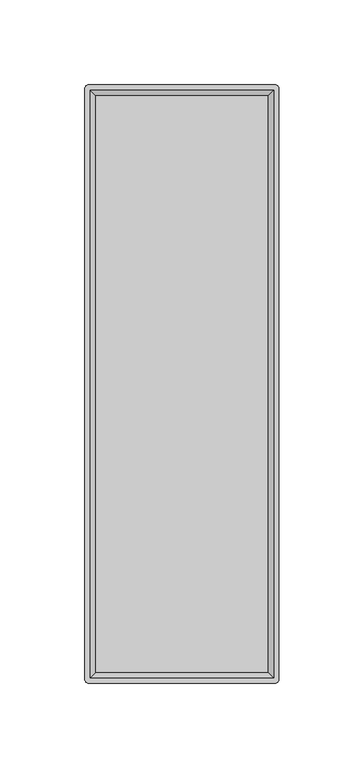
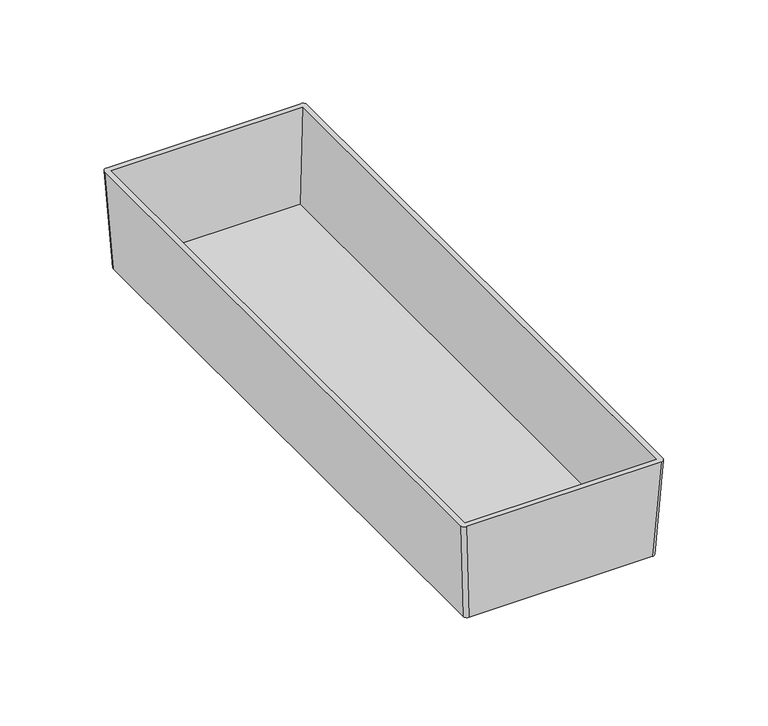
"""IFC4 building model written with IfcOpenShell, lengths in millimetres: furniture geometry."""

import ifcopenshell
import ifcopenshell.guid

model = None  # the IFC model being written
_history = None  # IfcOwnerHistory: only IFC2X3 demands one
_inside = {}  # id of a spatial element -> (the spatial element, [elements in it])
_under = {}  # id of a project, library or spatial element -> (it, [spatial elements below it])
_declared = {}  # id of a project -> (the project, [libraries it declares])
_typed = {}  # id of a type object -> (the type object, [elements of that type])
_made_of = {}  # id of a material, layer set ... -> (it, [elements and type objects made of it])


def new_model(schema):
    """Start an empty IFC model of exactly this schema.

    Asked for "IFC4X3", IfcOpenShell would pick the latest addendum, in which some entities
    have other attributes; the version numbers below select the first issue.
    IFC2X3 requires an IfcOwnerHistory on every rooted entity: one is made here for all.
    """
    global model, _history
    if schema == "IFC4X3":
        model = ifcopenshell.file(schema_version=(4, 3, 0, 0))
    else:
        model = ifcopenshell.file(schema=schema)
    _inside.clear()
    _under.clear()
    _declared.clear()
    _typed.clear()
    _made_of.clear()
    _history = None
    if model.schema == "IFC2X3":
        org = make("IfcOrganization", Name="unknown")
        user = make(
            "IfcPersonAndOrganization",
            ThePerson=make("IfcPerson", FamilyName="unknown"),
            TheOrganization=org,
        )
        app = make(
            "IfcApplication",
            ApplicationDeveloper=org,
            Version="unknown",
            ApplicationFullName="unknown",
            ApplicationIdentifier="unknown",
        )
        _history = make(
            "IfcOwnerHistory",
            OwningUser=user,
            OwningApplication=app,
            ChangeAction="ADDED",
            CreationDate=0,
        )
    return model


def make(cls, **values):
    """One entity of the class cls with the attributes given. An attribute that is None is left unset."""
    return model.create_entity(
        cls, **{name: value for name, value in values.items() if value is not None}
    )


def rooted(cls, **values):
    """An entity with a GlobalId (a new one), such as an element, a storey or a relation."""
    return make(cls, GlobalId=ifcopenshell.guid.new(), OwnerHistory=_history, **values)


def si_unit(unit_type, name, prefix=None):
    """IfcSIUnit, for example si_unit("LENGTHUNIT", "METRE", prefix="MILLI")."""
    return make("IfcSIUnit", UnitType=unit_type, Prefix=prefix, Name=name)


def assignment(units):
    """IfcUnitAssignment: the units of a project."""
    return None if units is None else make("IfcUnitAssignment", Units=units)


def point(xyz):
    """IfcCartesianPoint."""
    return None if xyz is None else make("IfcCartesianPoint", Coordinates=xyz)


def direction(xyz):
    """IfcDirection."""
    return None if xyz is None else make("IfcDirection", DirectionRatios=xyz)


def frame(location, z_axis=None, x_axis=None):
    """IfcAxis2Placement3D, a coordinate frame: its origin and axes. An axis left out is left unset."""
    return make(
        "IfcAxis2Placement3D",
        Location=point(location),
        Axis=direction(z_axis),
        RefDirection=direction(x_axis),
    )


def origin():
    """The frame at (0, 0, 0) with its axes left unset."""
    return frame((0.0, 0.0, 0.0))


def place(relative_to, where):
    """IfcLocalPlacement: puts the frame where relative to a parent placement (None: the world)."""
    return make(
        "IfcLocalPlacement", PlacementRelTo=relative_to, RelativePlacement=where
    )


def context(
    kind, dimensions, precision=None, world=None, true_north=None, identifier=None
):
    """IfcGeometricRepresentationContext, for example the 3D "Model" context."""
    return make(
        "IfcGeometricRepresentationContext",
        ContextIdentifier=identifier,
        ContextType=kind,
        CoordinateSpaceDimension=dimensions,
        Precision=precision,
        WorldCoordinateSystem=world,
        TrueNorth=true_north,
    )


def project(units=None, contexts=None):
    """IfcProject with its units and contexts."""
    return rooted(
        "IfcProject",
        Name="project",
        RepresentationContexts=contexts,
        UnitsInContext=assignment(units),
    )


def spatial(cls, under=None, at=None, **own):
    """A site, building, storey or space (cls), placed at a placement, below another one or the project."""
    s = rooted(cls, ObjectPlacement=at, **own)
    if under is not None:
        _under.setdefault(under.id(), (under, []))[1].append(s)
    return s


def circle_curve(where, radius):
    """IfcCircle in the frame where."""
    return make("IfcCircle", Position=where, Radius=radius)


def trimmed(basis, trim1, trim2, sense, master):
    """IfcTrimmedCurve: the piece of a basis curve between two trims."""
    return make(
        "IfcTrimmedCurve",
        BasisCurve=basis,
        Trim1=trim1,
        Trim2=trim2,
        SenseAgreement=sense,
        MasterRepresentation=master,
    )


def shape(context_of_items, identifier, shape_type, items):
    """IfcShapeRepresentation: the items that make up one representation, for example the "Body"."""
    return make(
        "IfcShapeRepresentation",
        ContextOfItems=context_of_items,
        RepresentationIdentifier=identifier,
        RepresentationType=shape_type,
        Items=items,
    )


def source(mapping_origin, context_of_items, identifier, shape_type, items):
    """IfcRepresentationMap: a shape defined once, which mapped items show again and again."""
    return make(
        "IfcRepresentationMap",
        MappingOrigin=mapping_origin,
        MappedRepresentation=shape(context_of_items, identifier, shape_type, items),
    )


def transform(
    local_origin,
    x_axis=None,
    y_axis=None,
    z_axis=None,
    scale=None,
    scale2=None,
    scale3=None,
    uniform=True,
):
    """IfcCartesianTransformationOperator3D, or its non-uniform kind. x_axis, y_axis, z_axis: its Axis1, 2, 3."""
    if uniform:
        return make(
            "IfcCartesianTransformationOperator3D",
            Axis1=direction(x_axis),
            Axis2=direction(y_axis),
            LocalOrigin=point(local_origin),
            Scale=scale,
            Axis3=direction(z_axis),
        )
    return make(
        "IfcCartesianTransformationOperator3DnonUniform",
        Axis1=direction(x_axis),
        Axis2=direction(y_axis),
        LocalOrigin=point(local_origin),
        Scale=scale,
        Axis3=direction(z_axis),
        Scale2=scale2,
        Scale3=scale3,
    )


def mapped(mapping_source, mapping_target):
    """IfcMappedItem: shows the shape of a source again, moved by a transform."""
    return make(
        "IfcMappedItem", MappingSource=mapping_source, MappingTarget=mapping_target
    )


def made_of(thing, what):
    """Note that an element or type object is made of a material, layer set ...; save() writes the relation."""
    if what is not None:
        _made_of.setdefault(what.id(), (what, []))[1].append(thing)
    return thing


def element(
    cls,
    number,
    at=None,
    inside=None,
    cuts=None,
    type_object=None,
    material=None,
    context=None,
    identifier="Body",
    shape_type=None,
    held_by="IfcProductDefinitionShape",
    body=None,
    shapes=None,
    **own,
):
    """One element of the class cls, such as IfcWall. Its Tag is "e" and its number.

    at: its placement. inside: the storey or other place that contains it. cuts: it is an
    opening in that element (IfcRelVoidsElement). A single representation is given by context,
    identifier, shape_type and body (its items); several are given by shapes. held_by: the class
    of the entity that holds the representations. save() writes the other relations.
    """
    e = rooted(cls, Tag="e%d" % number, ObjectPlacement=at, **own)
    if body is not None:
        shapes = [shape(context, identifier, shape_type, body)]
    if shapes is not None:
        e.Representation = make(held_by, Representations=shapes)
    if inside is not None:
        _inside.setdefault(inside.id(), (inside, []))[1].append(e)
    if cuts is not None:
        rooted(
            "IfcRelVoidsElement", RelatingBuildingElement=cuts, RelatedOpeningElement=e
        )
    if type_object is not None:
        _typed.setdefault(type_object.id(), (type_object, []))[1].append(e)
    return made_of(e, material)


def aggregate(whole, parts):
    """IfcRelAggregates: a whole, such as a stair, and the parts it consists of."""
    return rooted("IfcRelAggregates", RelatingObject=whole, RelatedObjects=parts)


def save(model, path):
    """Write the relations noted so far, then the file.

    IfcRelAggregates (storeys below a building ...), IfcRelContainedInSpatialStructure (elements
    in a storey), IfcRelDefinesByType, IfcRelAssociatesMaterial and IfcRelDeclares: one each for
    every whole, place, type object, material and project.
    """
    for whole, parts in _under.values():
        aggregate(whole, parts)
    for where, things in _inside.values():
        rooted(
            "IfcRelContainedInSpatialStructure",
            RelatedElements=things,
            RelatingStructure=where,
        )
    for kind, things in _typed.values():
        rooted("IfcRelDefinesByType", RelatedObjects=things, RelatingType=kind)
    for what, things in _made_of.values():
        rooted("IfcRelAssociatesMaterial", RelatedObjects=things, RelatingMaterial=what)
    for by, libraries in _declared.values():
        rooted("IfcRelDeclares", RelatingContext=by, RelatedDefinitions=libraries)
    model.write(path)


def plane_surface(at):
    """IfcPlane: the flat surface through the origin of the frame at, square to its z axis."""
    return make("IfcPlane", Position=at)


def extruded_surface(curve, direction_of_extrusion, depth):
    """IfcSurfaceOfLinearExtrusion: the curve pushed along a direction by depth."""
    return make(
        "IfcSurfaceOfLinearExtrusion",
        SweptCurve=make("IfcArbitraryOpenProfileDef", ProfileType="CURVE", Curve=curve),
        ExtrudedDirection=direction(direction_of_extrusion),
        Depth=depth,
    )


def advanced_brep(points, edges, surfaces, faces):
    """IfcAdvancedBrep: a solid bounded by faces that lie on surfaces and meet in shared edges.

    An edge is (start, end): straight between two places in points (the first is 0);
    or (start, end, curve); or (start, end, curve, False) where it runs against its curve.
    A face is (place in surfaces, loops), or (place, loops, False) where it looks against
    its surface's normal. A loop lists edges by number (the first is 1), with a minus sign
    where the edge is run from its end to its start. The first loop is the outer one.
    """
    corners = [point(p) for p in points]
    vertices = [make("IfcVertexPoint", VertexGeometry=c) for c in corners]
    made = []
    for start, end, *more in edges:
        made.append(
            make(
                "IfcEdgeCurve",
                EdgeStart=vertices[start],
                EdgeEnd=vertices[end],
                EdgeGeometry=more[0] if more else make("IfcPolyline", Points=[corners[start], corners[end]]),
                SameSense=more[1] if len(more) > 1 else True,
            )
        )
    hull = []
    for where, loops, *sense in faces:
        bounds = []
        for j, loop in enumerate(loops):
            ring = [make("IfcOrientedEdge", EdgeElement=made[abs(k) - 1], Orientation=k > 0) for k in loop]
            bounds.append(
                make(
                    "IfcFaceOuterBound" if j == 0 else "IfcFaceBound",
                    Bound=make("IfcEdgeLoop", EdgeList=ring),
                    Orientation=True,
                )
            )
        hull.append(make("IfcAdvancedFace", Bounds=bounds, FaceSurface=surfaces[where], SameSense=sense[0] if sense else True))
    return make("IfcAdvancedBrep", Outer=make("IfcClosedShell", CfsFaces=hull))


def furniture_f44d7894(model_context):
    return source(origin(), model_context, "Body", "AdvancedBrep", [
        advanced_brep(
        [(51.7525, 173.0375, 394.62456), (53.975, 170.815, 394.62456), (53.975, -170.815, 394.62456), (51.7525, -173.0375, 394.62456), (-51.7525, -173.0375, 394.62456), (-53.975, -170.815, 394.62456), (-53.975, 170.815, 394.62456), (-51.7525, 173.0375, 394.62456), (54.9275, 176.2125, 451.77456), (-54.9275, 176.2125, 451.77456), (-57.15, 173.99, 451.77456), (-57.15, -173.99, 451.77456), (-54.9275, -176.2125, 451.77456), (54.9275, -176.2125, 451.77456), (57.15, -173.99, 451.77456), (57.15, 173.99, 451.77456), (-53.975, 173.0375, 451.77456), (53.975, 173.0375, 451.77456), (53.975, -173.0375, 451.77456), (-53.975, -173.0375, 451.77456), (50.8, 169.8625, 397.16456), (-50.8, 169.8625, 397.16456), (-50.8, -169.8625, 397.16456), (50.8, -169.8625, 397.16456)],
        [
            (0, 1, circle_curve(frame((51.7525, 170.815, 394.62456), z_axis=(0.0, 0.0, -1.0), x_axis=(-1.0, 0.0, 0.0)), 2.2225)),
            (1, 2),
            (2, 3, circle_curve(frame((51.7525, -170.815, 394.62456), z_axis=(0.0, 0.0, -1.0), x_axis=(-1.0, 0.0, 0.0)), 2.2225)),
            (3, 4),
            (4, 5, circle_curve(frame((-51.7525, -170.815, 394.62456), z_axis=(0.0, 0.0, -1.0), x_axis=(-1.0, 0.0, 0.0)), 2.2225)),
            (5, 6),
            (6, 7, circle_curve(frame((-51.7525, 170.815, 394.62456), z_axis=(0.0, 0.0, -1.0), x_axis=(-1.0, 0.0, 0.0)), 2.2225)),
            (7, 0),
            (8, 9),
            (9, 10, circle_curve(frame((-54.9275, 173.99, 451.77456), z_axis=(0.0, 0.0, 1.0), x_axis=(-1.0, 0.0, 0.0)), 2.2225)),
            (10, 11),
            (11, 12, circle_curve(frame((-54.9275, -173.99, 451.77456), z_axis=(0.0, 0.0, 1.0), x_axis=(-1.0, 0.0, 0.0)), 2.2225)),
            (12, 13),
            (13, 14, circle_curve(frame((54.9275, -173.99, 451.77456), z_axis=(0.0, 0.0, 1.0), x_axis=(-1.0, 0.0, 0.0)), 2.2225)),
            (14, 15),
            (15, 8, circle_curve(frame((54.9275, 173.99, 451.77456), z_axis=(0.0, 0.0, 1.0), x_axis=(-1.0, 0.0, 0.0)), 2.2225)),
            (16, 17),
            (17, 18),
            (18, 19),
            (19, 16),
            (7, 9),
            (8, 0),
            (6, 10),
            (5, 11),
            (4, 12),
            (3, 13),
            (2, 14),
            (1, 15),
            (20, 21),
            (21, 22),
            (22, 23),
            (23, 20),
            (20, 17),
            (16, 21),
            (19, 22),
            (18, 23),
        ],
        [
            plane_surface(frame((0.0, 0.0, 394.62456), z_axis=(0.0, 0.0, -1.0), x_axis=(-1.0, 0.0, 0.0))),
            plane_surface(frame((0.0, 0.0, 451.77456), z_axis=(0.0, 0.0, 1.0), x_axis=(-1.0, 0.0, 0.0))),
            plane_surface(frame((0.0, 176.2125, 451.77456), z_axis=(0.0, 0.9984603532054104, -0.05547001962256064), x_axis=(1.0, 0.0, 0.0))),
            extruded_surface(trimmed(circle_curve(frame((-54.9275, 173.99, 451.77456), z_axis=(0.0, 0.0, -1.0), x_axis=(-1.0, 0.0, 0.0)), 2.2225), [point((-57.15, 173.99, 451.77456))], [point((-54.9275, 176.2125, 451.77456))], True, "CARTESIAN"), (3.1750000000000043, -3.1750000000000114, -57.150000000000034), 57.32611752072526),
            plane_surface(frame((-57.15, 0.0, 451.77456), z_axis=(-0.998460353205411, 0.0, -0.05547001962254796), x_axis=(0.0, 1.0, 0.0))),
            extruded_surface(trimmed(circle_curve(frame((-54.9275, -173.99, 451.77456), z_axis=(0.0, 0.0, -1.0), x_axis=(-1.0, 0.0, 0.0)), 2.2225), [point((-54.9275, -176.2125, 451.77456))], [point((-57.15, -173.99, 451.77456))], True, "CARTESIAN"), (3.1750000000000043, 3.1750000000000114, -57.150000000000034), 57.32611752072526),
            plane_surface(frame((0.0, -176.2125, 451.77456), z_axis=(0.0, -0.9984603532055267, -0.05547001962046713), x_axis=(-1.0, 0.0, 0.0))),
            extruded_surface(trimmed(circle_curve(frame((54.9275, -173.99, 451.77456), z_axis=(0.0, 0.0, -1.0), x_axis=(-1.0, 0.0, 0.0)), 2.2225), [point((57.15, -173.99, 451.77456))], [point((54.9275, -176.2125, 451.77456))], True, "CARTESIAN"), (-3.1750000000000043, 3.1750000000000114, -57.150000000000034), 57.32611752072526),
            plane_surface(frame((57.15, 0.0, 451.77456), z_axis=(0.998460353205429, 0.0, -0.055470019622225274), x_axis=(0.0, -1.0, 0.0))),
            extruded_surface(trimmed(circle_curve(frame((54.9275, 173.99, 451.77456), z_axis=(0.0, 0.0, -1.0), x_axis=(-1.0, 0.0, 0.0)), 2.2225), [point((54.9275, 176.2125, 451.77456))], [point((57.15, 173.99, 451.77456))], True, "CARTESIAN"), (-3.1750000000000043, -3.1750000000000114, -57.150000000000034), 57.32611752072526),
            plane_surface(frame((0.0, 0.0, 397.16456), z_axis=(0.0, 0.0, 1.0), x_axis=(-1.0, 0.0, 0.0))),
            plane_surface(frame((0.0, 173.0375, 451.77456), z_axis=(0.0, -0.9983141698791151, 0.05804152150463695), x_axis=(1.0, 0.0, 0.0))),
            plane_surface(frame((-53.975, 0.0, 451.77456), z_axis=(0.9983141698791161, 0.0, 0.05804152150461961), x_axis=(0.0, 1.0, 0.0))),
            plane_surface(frame((0.0, -173.0375, 451.77456), z_axis=(0.0, 0.9983141698789251, 0.0580415215079058), x_axis=(-1.0, 0.0, 0.0))),
            plane_surface(frame((53.975, 0.0, 451.77456), z_axis=(-0.998314169879097, 0.0, 0.05804152150494822), x_axis=(0.0, -1.0, 0.0))),
        ],
        [
            (0, [[1, 2, 3, 4, 5, 6, 7, 8]]),
            (1, [[9, 10, 11, 12, 13, 14, 15, 16], [17, 18, 19, 20]]),
            (2, [[-8, 21, -9, 22]]),
            (3, [[-7, 23, -10, -21]]),
            (4, [[-6, 24, -11, -23]]),
            (5, [[-5, 25, -12, -24]]),
            (6, [[-4, 26, -13, -25]]),
            (7, [[-3, 27, -14, -26]]),
            (8, [[-2, 28, -15, -27]]),
            (9, [[-1, -22, -16, -28]]),
            (10, [[29, 30, 31, 32]]),
            (11, [[-29, 33, -17, 34]]),
            (12, [[-30, -34, -20, 35]]),
            (13, [[-31, -35, -19, 36]]),
            (14, [[-32, -36, -18, -33]]),
        ],
    ),
    ])


if __name__ == "__main__":
    model = new_model("IFC4")
    model_context = context("Model", 3, world=origin())
    ifc_project = project(units=[si_unit("LENGTHUNIT", "METRE", prefix="MILLI")], contexts=[model_context])
    site = spatial("IfcSite", under=ifc_project)
    building = spatial("IfcBuilding", under=site)
    placement = place(None, origin())
    furniture_shape = furniture_f44d7894(model_context)
    element("IfcFurniture", 1, at=placement, inside=building, context=model_context, shape_type="MappedRepresentation", body=[
        mapped(furniture_shape, transform((0.0, 0.0, 0.0), x_axis=(1.0, 0.0, 0.0), y_axis=(0.0, 1.0, 0.0), z_axis=(0.0, 0.0, 1.0))),
    ])
    save(model, "model.ifc")
